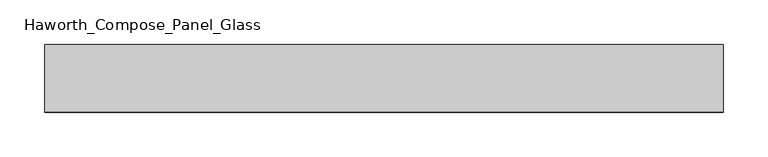
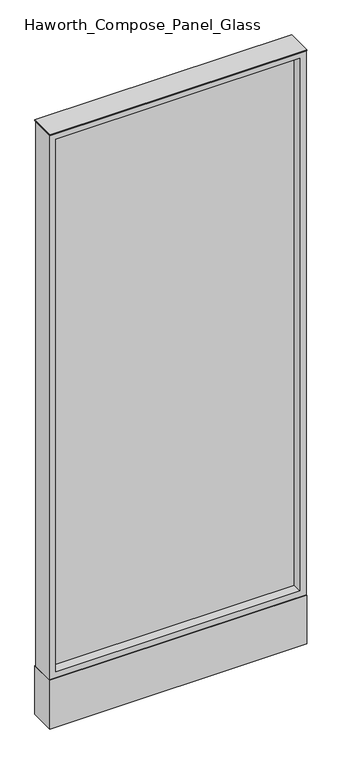
"""IFC4 building model written with IfcOpenShell, lengths in millimetres: furniture geometry, Haworth_Compose_Panel_Glass."""

from ifc_helpers import new_model, si_unit, point, frame, frame_2d, origin, origin_with_axes, place, context, project, spatial, polyline, circle_curve, trimmed, segment, composite_curve, outline, extrude, source, transform, mapped, element, save


def haworth_compose_panel_glass_580c8cf9(model_context):
    return source(origin(), model_context, "Body", "SweptSolid", [
        extrude(outline(composite_curve([segment(trimmed(circle_curve(frame_2d((307.2402902, 0.0)), 12.7), [point((294.5402902, 0.0))], [point((319.9402902, 0.0))], False, "CARTESIAN"), True, "CONTINUOUS"), segment(trimmed(circle_curve(frame_2d((307.2402902, 0.0)), 12.7), [point((319.9402902, 0.0))], [point((294.5402902, 0.0))], False, "CARTESIAN"), True, "CONTINUOUS")], self_intersect=False)), origin_with_axes(), (0.0, 0.0, 1.0), 12.7),
        extrude(outline(composite_curve([segment(trimmed(circle_curve(frame_2d((-302.3597098, 0.0)), 12.7), [point((-315.0597098, 0.0))], [point((-289.6597098, 0.0))], False, "CARTESIAN"), True, "CONTINUOUS"), segment(trimmed(circle_curve(frame_2d((-302.3597098, 0.0)), 12.7), [point((-289.6597098, 0.0))], [point((-315.0597098, 0.0))], False, "CARTESIAN"), True, "CONTINUOUS")], self_intersect=False)), origin_with_axes(), (0.0, 0.0, 1.0), 12.7),
        extrude(outline(polyline([(364.3902902, -6.35), (-359.5097098, -6.35), (-359.5097098, 6.35), (364.3902902, 6.35), (364.3902902, -6.35)])), frame((0.0, 0.0, 184.15), z_axis=(0.0, 0.0, 1.0), x_axis=(1.0, 0.0, 0.0)), (0.0, 0.0, 1.0), 1670.05),
        extrude(outline(polyline([(1873.25, -378.5597098), (165.1, -378.5597098), (165.1, 383.4402902), (1873.25, 383.4402902), (1873.25, -378.5597098)]), holes=[polyline([(1854.2, 364.3902902), (184.15, 364.3902902), (184.15, -359.5097098), (1854.2, -359.5097098), (1854.2, 364.3902902)])]), frame((0.0, -34.925, 0.0), z_axis=(0.0, 1.0, 0.0), x_axis=(0.0, 0.0, 1.0)), (0.0, 0.0, 1.0), 69.85),
        extrude(outline(polyline([(-378.5597098, 38.1), (383.4402902, 38.1), (383.4402902, -38.1), (-378.5597098, -38.1), (-378.5597098, 38.1)])), frame((0.0, 0.0, 12.7), z_axis=(0.0, 0.0, 1.0), x_axis=(1.0, 0.0, 0.0)), (0.0, 0.0, 1.0), 152.4),
        extrude(outline(polyline([(-378.5597098, -38.1), (-378.5597098, 38.1), (383.4402902, 38.1), (383.4402902, -38.1), (-378.5597098, -38.1)])), frame((0.0, 0.0, 1873.25), z_axis=(0.0, 0.0, 1.0), x_axis=(1.0, 0.0, 0.0)), (0.0, 0.0, 1.0), 3.175),
    ])


if __name__ == "__main__":
    model = new_model("IFC4")
    model_context = context("Model", 3, world=origin())
    ifc_project = project(units=[si_unit("LENGTHUNIT", "METRE", prefix="MILLI")], contexts=[model_context])
    site = spatial("IfcSite", under=ifc_project)
    building = spatial("IfcBuilding", under=site)
    placement = place(None, origin())
    haworth_compose_panel_glass_shape = haworth_compose_panel_glass_580c8cf9(model_context)
    element("IfcFurniture", 1, ObjectType="Haworth_Compose_Panel_Glass", at=placement, inside=building, context=model_context, shape_type="MappedRepresentation", body=[
        mapped(haworth_compose_panel_glass_shape, transform((0.0, 0.0, 0.0), x_axis=(1.0, 0.0, 0.0), y_axis=(0.0, 1.0, 0.0), z_axis=(0.0, 0.0, 1.0))),
    ])
    save(model, "model.ifc")
